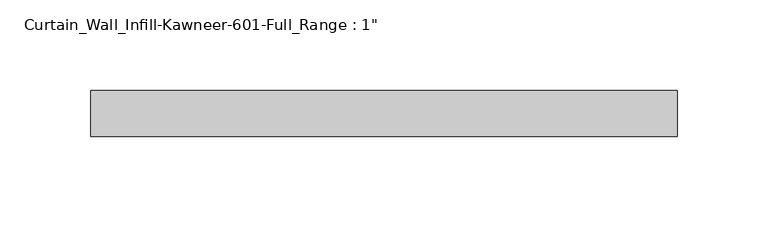
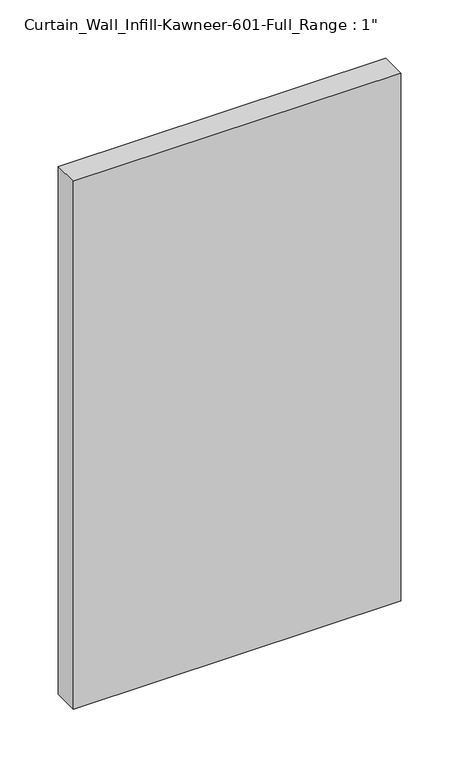
"""IFC4 building model written with IfcOpenShell, lengths in millimetres: plate geometry."""

import ifcopenshell
import ifcopenshell.guid

model = None  # the IFC model being written
_history = None  # IfcOwnerHistory: only IFC2X3 demands one
_inside = {}  # id of a spatial element -> (the spatial element, [elements in it])
_under = {}  # id of a project, library or spatial element -> (it, [spatial elements below it])
_declared = {}  # id of a project -> (the project, [libraries it declares])
_typed = {}  # id of a type object -> (the type object, [elements of that type])
_made_of = {}  # id of a material, layer set ... -> (it, [elements and type objects made of it])


def new_model(schema):
    """Start an empty IFC model of exactly this schema.

    Asked for "IFC4X3", IfcOpenShell would pick the latest addendum, in which some entities
    have other attributes; the version numbers below select the first issue.
    IFC2X3 requires an IfcOwnerHistory on every rooted entity: one is made here for all.
    """
    global model, _history
    if schema == "IFC4X3":
        model = ifcopenshell.file(schema_version=(4, 3, 0, 0))
    else:
        model = ifcopenshell.file(schema=schema)
    _inside.clear()
    _under.clear()
    _declared.clear()
    _typed.clear()
    _made_of.clear()
    _history = None
    if model.schema == "IFC2X3":
        org = make("IfcOrganization", Name="unknown")
        user = make(
            "IfcPersonAndOrganization",
            ThePerson=make("IfcPerson", FamilyName="unknown"),
            TheOrganization=org,
        )
        app = make(
            "IfcApplication",
            ApplicationDeveloper=org,
            Version="unknown",
            ApplicationFullName="unknown",
            ApplicationIdentifier="unknown",
        )
        _history = make(
            "IfcOwnerHistory",
            OwningUser=user,
            OwningApplication=app,
            ChangeAction="ADDED",
            CreationDate=0,
        )
    return model


def make(cls, **values):
    """One entity of the class cls with the attributes given. An attribute that is None is left unset."""
    return model.create_entity(
        cls, **{name: value for name, value in values.items() if value is not None}
    )


def rooted(cls, **values):
    """An entity with a GlobalId (a new one), such as an element, a storey or a relation."""
    return make(cls, GlobalId=ifcopenshell.guid.new(), OwnerHistory=_history, **values)


def si_unit(unit_type, name, prefix=None):
    """IfcSIUnit, for example si_unit("LENGTHUNIT", "METRE", prefix="MILLI")."""
    return make("IfcSIUnit", UnitType=unit_type, Prefix=prefix, Name=name)


def assignment(units):
    """IfcUnitAssignment: the units of a project."""
    return None if units is None else make("IfcUnitAssignment", Units=units)


def point(xyz):
    """IfcCartesianPoint."""
    return None if xyz is None else make("IfcCartesianPoint", Coordinates=xyz)


def direction(xyz):
    """IfcDirection."""
    return None if xyz is None else make("IfcDirection", DirectionRatios=xyz)


def frame(location, z_axis=None, x_axis=None):
    """IfcAxis2Placement3D, a coordinate frame: its origin and axes. An axis left out is left unset."""
    return make(
        "IfcAxis2Placement3D",
        Location=point(location),
        Axis=direction(z_axis),
        RefDirection=direction(x_axis),
    )


def origin():
    """The frame at (0, 0, 0) with its axes left unset."""
    return frame((0.0, 0.0, 0.0))


def origin_with_axes():
    """The frame at (0, 0, 0) with the z axis (0, 0, 1) and the x axis (1, 0, 0) written out."""
    return frame((0.0, 0.0, 0.0), z_axis=(0.0, 0.0, 1.0), x_axis=(1.0, 0.0, 0.0))


def place(relative_to, where):
    """IfcLocalPlacement: puts the frame where relative to a parent placement (None: the world)."""
    return make(
        "IfcLocalPlacement", PlacementRelTo=relative_to, RelativePlacement=where
    )


def context(
    kind, dimensions, precision=None, world=None, true_north=None, identifier=None
):
    """IfcGeometricRepresentationContext, for example the 3D "Model" context."""
    return make(
        "IfcGeometricRepresentationContext",
        ContextIdentifier=identifier,
        ContextType=kind,
        CoordinateSpaceDimension=dimensions,
        Precision=precision,
        WorldCoordinateSystem=world,
        TrueNorth=true_north,
    )


def project(units=None, contexts=None):
    """IfcProject with its units and contexts."""
    return rooted(
        "IfcProject",
        Name="project",
        RepresentationContexts=contexts,
        UnitsInContext=assignment(units),
    )


def spatial(cls, under=None, at=None, **own):
    """A site, building, storey or space (cls), placed at a placement, below another one or the project."""
    s = rooted(cls, ObjectPlacement=at, **own)
    if under is not None:
        _under.setdefault(under.id(), (under, []))[1].append(s)
    return s


def polyline(points):
    """IfcPolyline through the points."""
    return make("IfcPolyline", Points=[point(p) for p in points])


def outline(outer, holes=None, kind="AREA"):
    """IfcArbitraryClosedProfileDef: a profile drawn as a closed curve; with holes, ...WithVoids."""
    if holes is None:
        return make("IfcArbitraryClosedProfileDef", ProfileType=kind, OuterCurve=outer)
    return make(
        "IfcArbitraryProfileDefWithVoids",
        ProfileType=kind,
        OuterCurve=outer,
        InnerCurves=holes,
    )


def extrude(swept, where, along, depth):
    """IfcExtrudedAreaSolid: the profile swept, set in the frame where, extruded along a direction by depth."""
    return make(
        "IfcExtrudedAreaSolid",
        SweptArea=swept,
        Position=where,
        ExtrudedDirection=direction(along),
        Depth=depth,
    )


def shape(context_of_items, identifier, shape_type, items):
    """IfcShapeRepresentation: the items that make up one representation, for example the "Body"."""
    return make(
        "IfcShapeRepresentation",
        ContextOfItems=context_of_items,
        RepresentationIdentifier=identifier,
        RepresentationType=shape_type,
        Items=items,
    )


def source(mapping_origin, context_of_items, identifier, shape_type, items):
    """IfcRepresentationMap: a shape defined once, which mapped items show again and again."""
    return make(
        "IfcRepresentationMap",
        MappingOrigin=mapping_origin,
        MappedRepresentation=shape(context_of_items, identifier, shape_type, items),
    )


def transform(
    local_origin,
    x_axis=None,
    y_axis=None,
    z_axis=None,
    scale=None,
    scale2=None,
    scale3=None,
    uniform=True,
):
    """IfcCartesianTransformationOperator3D, or its non-uniform kind. x_axis, y_axis, z_axis: its Axis1, 2, 3."""
    if uniform:
        return make(
            "IfcCartesianTransformationOperator3D",
            Axis1=direction(x_axis),
            Axis2=direction(y_axis),
            LocalOrigin=point(local_origin),
            Scale=scale,
            Axis3=direction(z_axis),
        )
    return make(
        "IfcCartesianTransformationOperator3DnonUniform",
        Axis1=direction(x_axis),
        Axis2=direction(y_axis),
        LocalOrigin=point(local_origin),
        Scale=scale,
        Axis3=direction(z_axis),
        Scale2=scale2,
        Scale3=scale3,
    )


def mapped(mapping_source, mapping_target):
    """IfcMappedItem: shows the shape of a source again, moved by a transform."""
    return make(
        "IfcMappedItem", MappingSource=mapping_source, MappingTarget=mapping_target
    )


def made_of(thing, what):
    """Note that an element or type object is made of a material, layer set ...; save() writes the relation."""
    if what is not None:
        _made_of.setdefault(what.id(), (what, []))[1].append(thing)
    return thing


def element(
    cls,
    number,
    at=None,
    inside=None,
    cuts=None,
    type_object=None,
    material=None,
    context=None,
    identifier="Body",
    shape_type=None,
    held_by="IfcProductDefinitionShape",
    body=None,
    shapes=None,
    **own,
):
    """One element of the class cls, such as IfcWall. Its Tag is "e" and its number.

    at: its placement. inside: the storey or other place that contains it. cuts: it is an
    opening in that element (IfcRelVoidsElement). A single representation is given by context,
    identifier, shape_type and body (its items); several are given by shapes. held_by: the class
    of the entity that holds the representations. save() writes the other relations.
    """
    e = rooted(cls, Tag="e%d" % number, ObjectPlacement=at, **own)
    if body is not None:
        shapes = [shape(context, identifier, shape_type, body)]
    if shapes is not None:
        e.Representation = make(held_by, Representations=shapes)
    if inside is not None:
        _inside.setdefault(inside.id(), (inside, []))[1].append(e)
    if cuts is not None:
        rooted(
            "IfcRelVoidsElement", RelatingBuildingElement=cuts, RelatedOpeningElement=e
        )
    if type_object is not None:
        _typed.setdefault(type_object.id(), (type_object, []))[1].append(e)
    return made_of(e, material)


def aggregate(whole, parts):
    """IfcRelAggregates: a whole, such as a stair, and the parts it consists of."""
    return rooted("IfcRelAggregates", RelatingObject=whole, RelatedObjects=parts)


def save(model, path):
    """Write the relations noted so far, then the file.

    IfcRelAggregates (storeys below a building ...), IfcRelContainedInSpatialStructure (elements
    in a storey), IfcRelDefinesByType, IfcRelAssociatesMaterial and IfcRelDeclares: one each for
    every whole, place, type object, material and project.
    """
    for whole, parts in _under.values():
        aggregate(whole, parts)
    for where, things in _inside.values():
        rooted(
            "IfcRelContainedInSpatialStructure",
            RelatedElements=things,
            RelatingStructure=where,
        )
    for kind, things in _typed.values():
        rooted("IfcRelDefinesByType", RelatedObjects=things, RelatingType=kind)
    for what, things in _made_of.values():
        rooted("IfcRelAssociatesMaterial", RelatedObjects=things, RelatingMaterial=what)
    for by, libraries in _declared.values():
        rooted("IfcRelDeclares", RelatingContext=by, RelatedDefinitions=libraries)
    model.write(path)


def plate_322ff415(model_context):
    return source(origin(), model_context, "Body", "SweptSolid", [
        extrude(outline(polyline([(-161.925, 12.7), (161.925, 12.7), (161.925, -12.7), (-161.925, -12.7), (-161.925, 12.7)])), origin_with_axes(), (0.0, 0.0, 1.0), 552.45),
    ])


if __name__ == "__main__":
    model = new_model("IFC4")
    model_context = context("Model", 3, world=origin())
    ifc_project = project(units=[si_unit("LENGTHUNIT", "METRE", prefix="MILLI")], contexts=[model_context])
    site = spatial("IfcSite", under=ifc_project)
    building = spatial("IfcBuilding", under=site)
    placement = place(None, origin())
    plate_shape = plate_322ff415(model_context)
    element("IfcPlate", 1, ObjectType="Curtain_Wall_Infill-Kawneer-601-Full_Range : 1\"", at=placement, inside=building, context=model_context, shape_type="MappedRepresentation", body=[
        mapped(plate_shape, transform((0.0, 0.0, 0.0), x_axis=(1.0, 0.0, 0.0), y_axis=(0.0, 1.0, 0.0), z_axis=(0.0, 0.0, 1.0))),
    ])
    save(model, "model.ifc")
